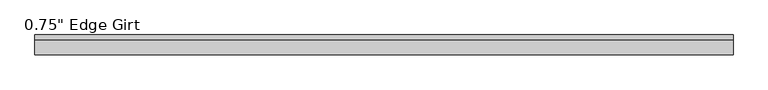
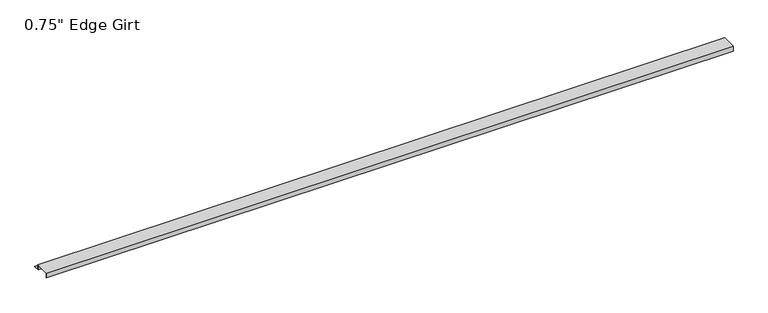
"""IFC4 building model written with IfcOpenShell, lengths in millimetres: proxy geometry."""

from ifc_helpers import new_model, si_unit, frame, origin, place, context, project, spatial, polyline, outline, extrude, source, transform, mapped, element, save


def proxy_3cbf5b4d(model_context):
    return source(origin(), model_context, "Body", "SweptSolid", [
        extrude(outline(polyline([(46.0559645, -17.4375), (25.4, -17.4375), (25.4, 0.0), (-25.4, 0.0), (-25.4, -17.4375), (-27.0129, -17.4375), (-27.0129, 1.6129), (27.0129, 1.6129), (27.0129, -15.8242), (46.0559645, -15.8242), (46.0559645, -17.4375)])), frame((0.0, 0.0, 0.0), z_axis=(1.0, 0.0, 0.0), x_axis=(0.0, 1.0, 0.0)), (0.0, 0.0, 1.0), 2554.287),
    ])


if __name__ == "__main__":
    model = new_model("IFC4")
    model_context = context("Model", 3, world=origin())
    ifc_project = project(units=[si_unit("LENGTHUNIT", "METRE", prefix="MILLI")], contexts=[model_context])
    site = spatial("IfcSite", under=ifc_project)
    building = spatial("IfcBuilding", under=site)
    placement = place(None, origin())
    proxy_shape = proxy_3cbf5b4d(model_context)
    element("IfcBuildingElementProxy", 1, Name="0.75\" Edge Girt", ObjectType="0.75\" Edge Girt", at=placement, inside=building, context=model_context, shape_type="MappedRepresentation", body=[
        mapped(proxy_shape, transform((0.0, 0.0, 0.0), x_axis=(1.0, 0.0, 0.0), y_axis=(0.0, 1.0, 0.0), z_axis=(0.0, 0.0, 1.0))),
    ])
    save(model, "model.ifc")
